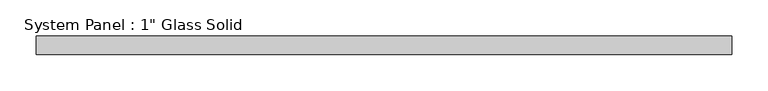
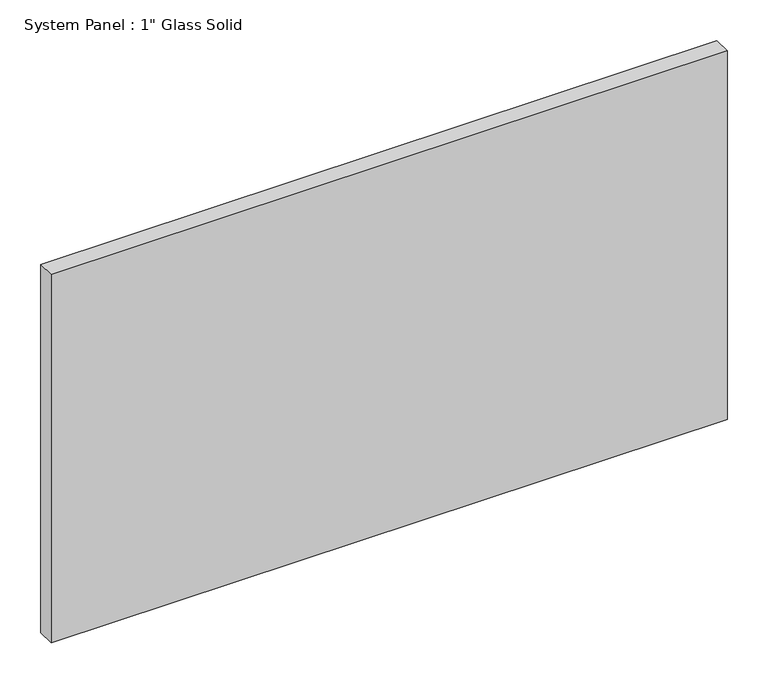
"""IFC4 building model written with IfcOpenShell, lengths in millimetres: plate geometry."""

from ifc_helpers import new_model, si_unit, origin, origin_with_axes, place, context, project, spatial, polyline, outline, extrude, source, transform, mapped, element, save


def plate_72207a66(model_context):
    return source(origin(), model_context, "Body", "SweptSolid", [
        extrude(outline(polyline([(479.425, -12.7), (-479.425, -12.7), (-479.425, 12.7), (479.425, 12.7), (479.425, -12.7)])), origin_with_axes(), (0.0, 0.0, 1.0), 552.4517704),
    ])


if __name__ == "__main__":
    model = new_model("IFC4")
    model_context = context("Model", 3, world=origin())
    ifc_project = project(units=[si_unit("LENGTHUNIT", "METRE", prefix="MILLI")], contexts=[model_context])
    site = spatial("IfcSite", under=ifc_project)
    building = spatial("IfcBuilding", under=site)
    placement = place(None, origin())
    plate_shape = plate_72207a66(model_context)
    element("IfcPlate", 1, ObjectType="System Panel : 1\" Glass Solid", at=placement, inside=building, context=model_context, shape_type="MappedRepresentation", body=[
        mapped(plate_shape, transform((0.0, 0.0, 0.0), x_axis=(1.0, 0.0, 0.0), y_axis=(0.0, 1.0, 0.0), z_axis=(0.0, 0.0, 1.0))),
    ])
    save(model, "model.ifc")
